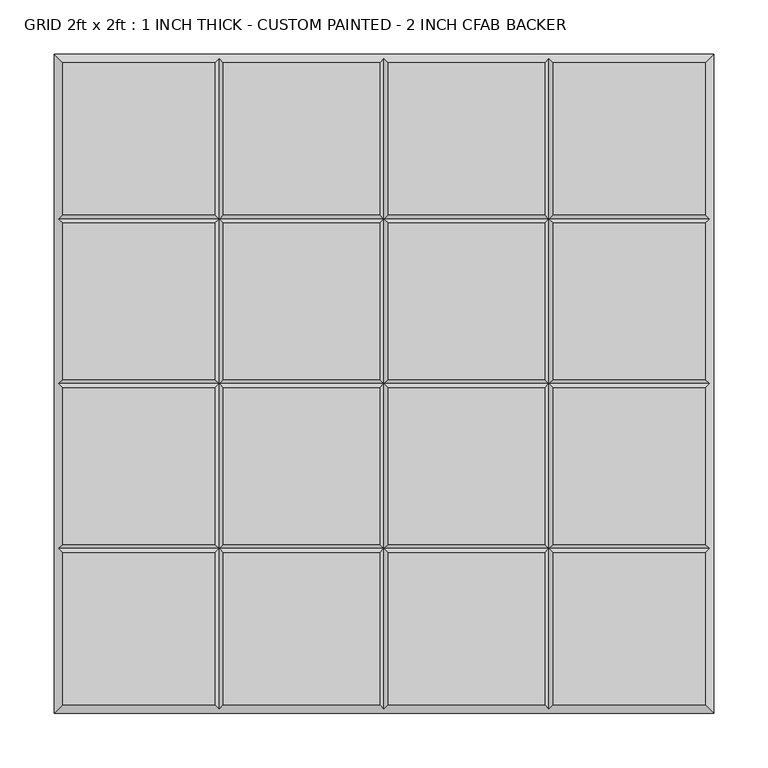
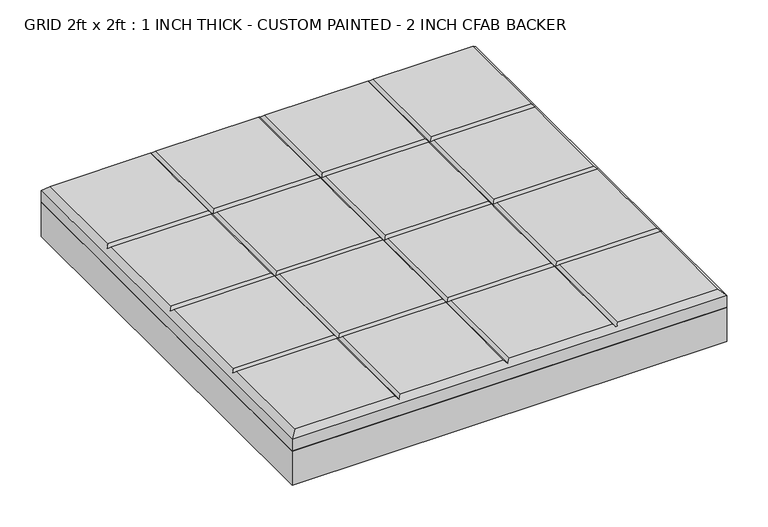
"""IFC4 building model written with IfcOpenShell, lengths in millimetres: proxy geometry, GRID 2ft x 2ft : 1 INCH THICK - CUSTOM PAINTED - 2 INCH CFAB BACKER."""

from ifc_helpers import new_model, si_unit, frame, origin, place, context, project, spatial, polyline, outline, extrude, faceted_brep, source, transform, mapped, element, save


def grid_2ft_x_2ft_1_inch_thick_custom_painted_2_inch_cfab_61b83b62(model_context):
    return source(origin(), model_context, "Body", "SolidModel", [
        extrude(outline(polyline([(-304.8, 304.8), (304.8, 304.8), (304.8, -304.8), (-304.8, -304.8), (-304.8, 304.8)])), frame((0.0, 0.0, -50.8), z_axis=(0.0, 0.0, 1.0), x_axis=(1.0, 0.0, 0.0)), (0.0, 0.0, 1.0), 50.8),
        faceted_brep([(-156.4009826, 296.799, 25.4), (-296.799, 296.799, 25.4), (-296.799, 156.4005254, 25.4), (-156.4009826, 156.4005254, 25.4), (-296.799, -296.799, 25.4), (-156.4009826, -296.799, 25.4), (-156.4009826, -156.4004746, 25.4), (-296.799, -156.4004746, 25.4), (-4.0004746, 296.799, 25.4), (-148.3999826, 296.799, 25.4), (-148.3999826, 156.4005254, 25.4), (-4.0004746, 156.4005254, 25.4), (-148.3999826, -296.799, 25.4), (-4.0004746, -296.799, 25.4), (-4.0004746, -156.4004746, 25.4), (-148.3999826, -156.4004746, 25.4), (296.799, 296.799, 25.4), (156.4010334, 296.799, 25.4), (156.4010334, 156.4005254, 25.4), (296.799, 156.4005254, 25.4), (148.4000334, 296.799, 25.4), (4.0005254, 296.799, 25.4), (4.0005254, 156.4005254, 25.4), (148.4000334, 156.4005254, 25.4), (156.4010334, -296.799, 25.4), (296.799, -296.799, 25.4), (296.799, -156.4004746, 25.4), (156.4010334, -156.4004746, 25.4), (4.0005254, -296.799, 25.4), (148.4000334, -296.799, 25.4), (148.4000334, -156.4004746, 25.4), (4.0005254, -156.4004746, 25.4), (-156.4009826, 148.3995254, 25.4), (-296.799, 148.3995254, 25.4), (-296.799, 4.0005254, 25.4), (-156.4009826, 4.0005254, 25.4), (296.799, 148.3995254, 25.4), (156.4010334, 148.3995254, 25.4), (156.4010334, 4.0005254, 25.4), (296.799, 4.0005254, 25.4), (-4.0004746, 148.3995254, 25.4), (-148.3999826, 148.3995254, 25.4), (-148.3999826, 4.0005254, 25.4), (-4.0004746, 4.0005254, 25.4), (148.4000334, 148.3995254, 25.4), (4.0005254, 148.3995254, 25.4), (4.0005254, 4.0005254, 25.4), (148.4000334, 4.0005254, 25.4), (-296.799, -148.3994746, 25.4), (-156.4009826, -148.3994746, 25.4), (-156.4009826, -4.0004746, 25.4), (-296.799, -4.0004746, 25.4), (-148.3999826, -148.3994746, 25.4), (-4.0004746, -148.3994746, 25.4), (-4.0004746, -4.0004746, 25.4), (-148.3999826, -4.0004746, 25.4), (156.4010334, -148.3994746, 25.4), (296.799, -148.3994746, 25.4), (296.799, -4.0004746, 25.4), (156.4010334, -4.0004746, 25.4), (4.0005254, -148.3994746, 25.4), (148.4000334, -148.3994746, 25.4), (148.4000334, -4.0004746, 25.4), (4.0005254, -4.0004746, 25.4), (-304.8, 304.8, 0.0), (304.8, 304.8, 0.0), (304.8, -304.8, 0.0), (-304.8, -304.8, 0.0), (-304.8, -304.8, 17.399), (-304.8, 304.8, 17.399), (304.8, -304.8, 17.399), (304.8, 304.8, 17.399), (-152.4004826, 300.7995, 21.3995), (2.54e-05, 300.7995, 21.3995), (152.4005334, 300.7995, 21.3995), (-300.7995, -152.3999746, 21.3995), (-300.7995, 2.54e-05, 21.3995), (-300.7995, 152.4000254, 21.3995), (152.4005334, -300.7995, 21.3995), (2.54e-05, -300.7995, 21.3995), (-152.4004826, -300.7995, 21.3995), (300.7995, 152.4000254, 21.3995), (300.7995, 2.54e-05, 21.3995), (300.7995, -152.3999746, 21.3995), (-152.4004826, 152.4000254, 21.3995), (-152.4004826, -152.3999746, 21.3995), (-152.4004826, 2.54e-05, 21.3995), (2.54e-05, 152.4000254, 21.3995), (2.54e-05, -152.3999746, 21.3995), (2.54e-05, 2.54e-05, 21.3995), (152.4005334, 152.4000254, 21.3995), (152.4005334, -152.3999746, 21.3995), (152.4005334, 2.54e-05, 21.3995)], [[[0, 1, 2, 3]], [[4, 5, 6, 7]], [[8, 9, 10, 11]], [[12, 13, 14, 15]], [[16, 17, 18, 19]], [[20, 21, 22, 23]], [[24, 25, 26, 27]], [[28, 29, 30, 31]], [[32, 33, 34, 35]], [[36, 37, 38, 39]], [[40, 41, 42, 43]], [[44, 45, 46, 47]], [[48, 49, 50, 51]], [[52, 53, 54, 55]], [[56, 57, 58, 59]], [[60, 61, 62, 63]], [[64, 65, 66, 67]], [[64, 67, 68, 69]], [[67, 66, 70, 68]], [[66, 65, 71, 70]], [[65, 64, 69, 71]], [[69, 1, 0, 72, 9, 8, 73, 21, 20, 74, 17, 16, 71]], [[1, 69, 68, 4, 7, 75, 48, 51, 76, 34, 33, 77, 2]], [[4, 68, 70, 25, 24, 78, 29, 28, 79, 13, 12, 80, 5]], [[71, 16, 19, 81, 36, 39, 82, 58, 57, 83, 26, 25, 70]], [[9, 72, 84, 10]], [[80, 12, 15, 85]], [[41, 84, 86, 42]], [[85, 52, 55, 86]], [[72, 0, 3, 84]], [[5, 80, 85, 6]], [[84, 32, 35, 86]], [[49, 85, 86, 50]], [[21, 73, 87, 22]], [[79, 28, 31, 88]], [[45, 87, 89, 46]], [[88, 60, 63, 89]], [[73, 8, 11, 87]], [[13, 79, 88, 14]], [[87, 40, 43, 89]], [[53, 88, 89, 54]], [[17, 74, 90, 18]], [[78, 24, 27, 91]], [[37, 90, 92, 38]], [[91, 56, 59, 92]], [[74, 20, 23, 90]], [[29, 78, 91, 30]], [[90, 44, 47, 92]], [[61, 91, 92, 62]], [[87, 84, 41, 40]], [[90, 87, 45, 44]], [[84, 77, 33, 32]], [[81, 90, 37, 36]], [[84, 87, 11, 10]], [[87, 90, 23, 22]], [[77, 84, 3, 2]], [[90, 81, 19, 18]], [[88, 85, 15, 14]], [[91, 88, 31, 30]], [[85, 75, 7, 6]], [[83, 91, 27, 26]], [[85, 88, 53, 52]], [[88, 91, 61, 60]], [[75, 85, 49, 48]], [[91, 83, 57, 56]], [[89, 86, 55, 54]], [[92, 89, 63, 62]], [[86, 76, 51, 50]], [[82, 92, 59, 58]], [[86, 89, 43, 42]], [[89, 92, 47, 46]], [[76, 86, 35, 34]], [[92, 82, 39, 38]]]),
    ])


if __name__ == "__main__":
    model = new_model("IFC4")
    model_context = context("Model", 3, world=origin())
    ifc_project = project(units=[si_unit("LENGTHUNIT", "METRE", prefix="MILLI")], contexts=[model_context])
    site = spatial("IfcSite", under=ifc_project)
    building = spatial("IfcBuilding", under=site)
    placement = place(None, origin())
    grid_2ft_x_2ft_1_inch_thick_custom_painted_2_inch_cfab_shape = grid_2ft_x_2ft_1_inch_thick_custom_painted_2_inch_cfab_61b83b62(model_context)
    element("IfcBuildingElementProxy", 1, Name="GRID 2ft x 2ft : 1 INCH THICK - CUSTOM PAINTED - 2 INCH CFAB BACKER", ObjectType="GRID 2ft x 2ft : 1 INCH THICK - CUSTOM PAINTED - 2 INCH CFAB BACKER", at=placement, inside=building, context=model_context, shape_type="MappedRepresentation", body=[
        mapped(grid_2ft_x_2ft_1_inch_thick_custom_painted_2_inch_cfab_shape, transform((0.0, 0.0, 0.0), x_axis=(1.0, 0.0, 0.0), y_axis=(0.0, 1.0, 0.0), z_axis=(0.0, 0.0, 1.0))),
    ])
    save(model, "model.ifc")
